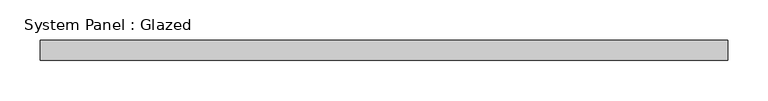
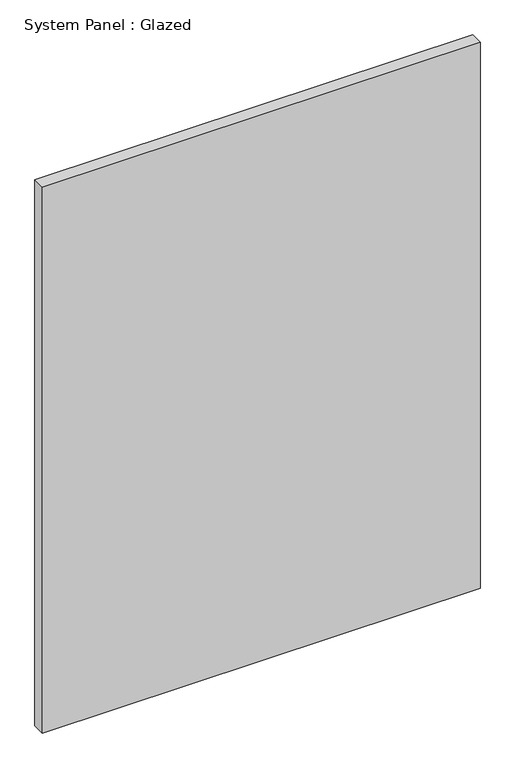
"""IFC4 building model written with IfcOpenShell, lengths in millimetres: plate geometry, System Panel : Glazed."""

from ifc_helpers import new_model, si_unit, origin, origin_with_axes, place, context, project, spatial, polyline, outline, extrude, source, transform, mapped, element, save


def system_panel_glazed_a5985da0(model_context):
    return source(origin(), model_context, "Body", "SweptSolid", [
        extrude(outline(polyline([(428.625, 0.0), (-428.625, 0.0), (-428.625, 25.4), (428.625, 25.4), (428.625, 0.0)])), origin_with_axes(), (0.0, 0.0, 1.0), 1130.3),
    ])


if __name__ == "__main__":
    model = new_model("IFC4")
    model_context = context("Model", 3, world=origin())
    ifc_project = project(units=[si_unit("LENGTHUNIT", "METRE", prefix="MILLI")], contexts=[model_context])
    site = spatial("IfcSite", under=ifc_project)
    building = spatial("IfcBuilding", under=site)
    placement = place(None, origin())
    system_panel_glazed_shape = system_panel_glazed_a5985da0(model_context)
    element("IfcPlate", 1, ObjectType="System Panel : Glazed", at=placement, inside=building, context=model_context, shape_type="MappedRepresentation", body=[
        mapped(system_panel_glazed_shape, transform((0.0, 0.0, 0.0), x_axis=(1.0, 0.0, 0.0), y_axis=(0.0, 1.0, 0.0), z_axis=(0.0, 0.0, 1.0))),
    ])
    save(model, "model.ifc")
